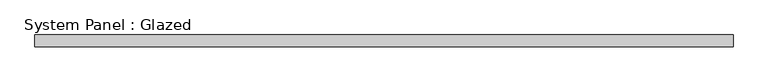
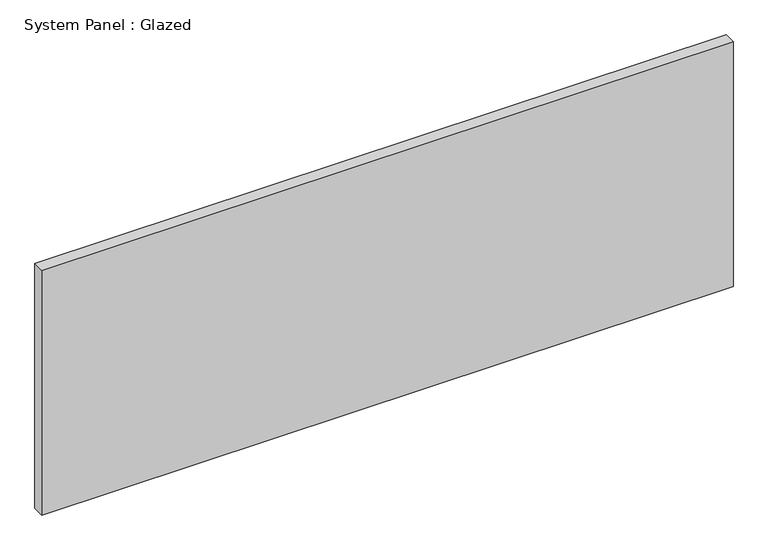
"""IFC4 building model written with IfcOpenShell, lengths in millimetres: plate geometry, System Panel : Glazed."""

from ifc_helpers import new_model, si_unit, origin, origin_with_axes, place, context, project, spatial, polyline, outline, extrude, source, transform, mapped, element, save


def system_panel_glazed_b1648d0e(model_context):
    return source(origin(), model_context, "Body", "SweptSolid", [
        extrude(outline(polyline([(744.2501096, 24.5), (-744.2501096, 24.5), (-744.2501096, 49.5), (744.2501096, 49.5), (744.2501096, 24.5)])), origin_with_axes(), (0.0, 0.0, 1.0), 557.4833333),
    ])


if __name__ == "__main__":
    model = new_model("IFC4")
    model_context = context("Model", 3, world=origin())
    ifc_project = project(units=[si_unit("LENGTHUNIT", "METRE", prefix="MILLI")], contexts=[model_context])
    site = spatial("IfcSite", under=ifc_project)
    building = spatial("IfcBuilding", under=site)
    placement = place(None, origin())
    system_panel_glazed_shape = system_panel_glazed_b1648d0e(model_context)
    element("IfcPlate", 1, ObjectType="System Panel : Glazed", at=placement, inside=building, context=model_context, shape_type="MappedRepresentation", body=[
        mapped(system_panel_glazed_shape, transform((0.0, 0.0, 0.0), x_axis=(1.0, 0.0, 0.0), y_axis=(0.0, 1.0, 0.0), z_axis=(0.0, 0.0, 1.0))),
    ])
    save(model, "model.ifc")
